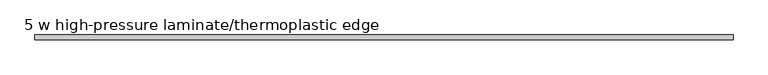
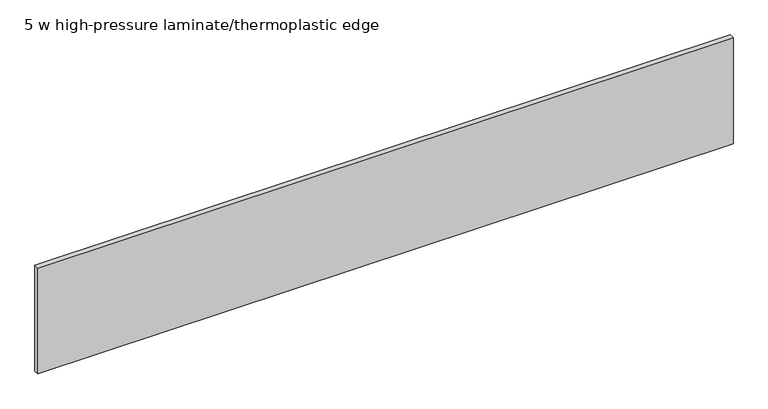
"""IFC4 building model written with IfcOpenShell, lengths in millimetres: furniture geometry, 5 w high-pressure laminate/thermoplastic edge."""

from ifc_helpers import new_model, si_unit, origin, origin_with_axes, place, context, project, spatial, polyline, outline, extrude, source, transform, mapped, element, save


def furniture_5_w_high_pressure_laminate_thermoplastic_edge_e6696727(model_context):
    return source(origin(), model_context, "Body", "SweptSolid", [
        extrude(outline(polyline([(0.5999988, 0.0), (0.5999988, 10.9999997), (1523.4000366, 10.9999997), (1523.4000366, 0.0), (0.5999988, 0.0)])), origin_with_axes(), (0.0, 0.0, 1.0), 245.349995),
    ])


if __name__ == "__main__":
    model = new_model("IFC4")
    model_context = context("Model", 3, world=origin())
    ifc_project = project(units=[si_unit("LENGTHUNIT", "METRE", prefix="MILLI")], contexts=[model_context])
    site = spatial("IfcSite", under=ifc_project)
    building = spatial("IfcBuilding", under=site)
    placement = place(None, origin())
    furniture_5_w_high_pressure_laminate_thermoplastic_edge_shape = furniture_5_w_high_pressure_laminate_thermoplastic_edge_e6696727(model_context)
    element("IfcFurniture", 1, ObjectType="5 w high-pressure laminate/thermoplastic edge", at=placement, inside=building, context=model_context, shape_type="MappedRepresentation", body=[
        mapped(furniture_5_w_high_pressure_laminate_thermoplastic_edge_shape, transform((0.0, 0.0, 0.0), x_axis=(1.0, 0.0, 0.0), y_axis=(0.0, 1.0, 0.0), z_axis=(0.0, 0.0, 1.0))),
    ])
    save(model, "model.ifc")
